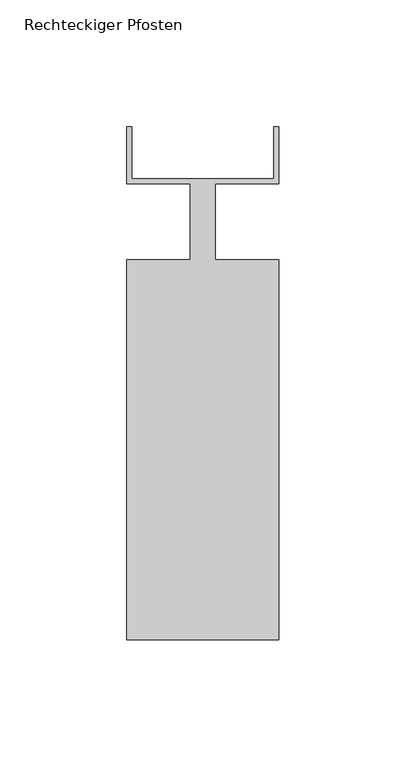
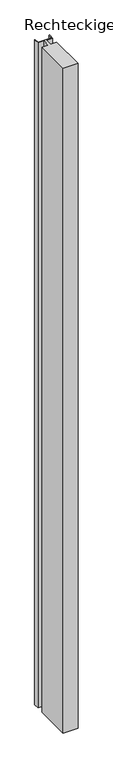
"""IFC4 building model written with IfcOpenShell, lengths in millimetres: member geometry, Rechteckiger Pfosten."""

import ifcopenshell
import ifcopenshell.guid

model = None  # the IFC model being written
_history = None  # IfcOwnerHistory: only IFC2X3 demands one
_inside = {}  # id of a spatial element -> (the spatial element, [elements in it])
_under = {}  # id of a project, library or spatial element -> (it, [spatial elements below it])
_declared = {}  # id of a project -> (the project, [libraries it declares])
_typed = {}  # id of a type object -> (the type object, [elements of that type])
_made_of = {}  # id of a material, layer set ... -> (it, [elements and type objects made of it])


def new_model(schema):
    """Start an empty IFC model of exactly this schema.

    Asked for "IFC4X3", IfcOpenShell would pick the latest addendum, in which some entities
    have other attributes; the version numbers below select the first issue.
    IFC2X3 requires an IfcOwnerHistory on every rooted entity: one is made here for all.
    """
    global model, _history
    if schema == "IFC4X3":
        model = ifcopenshell.file(schema_version=(4, 3, 0, 0))
    else:
        model = ifcopenshell.file(schema=schema)
    _inside.clear()
    _under.clear()
    _declared.clear()
    _typed.clear()
    _made_of.clear()
    _history = None
    if model.schema == "IFC2X3":
        org = make("IfcOrganization", Name="unknown")
        user = make(
            "IfcPersonAndOrganization",
            ThePerson=make("IfcPerson", FamilyName="unknown"),
            TheOrganization=org,
        )
        app = make(
            "IfcApplication",
            ApplicationDeveloper=org,
            Version="unknown",
            ApplicationFullName="unknown",
            ApplicationIdentifier="unknown",
        )
        _history = make(
            "IfcOwnerHistory",
            OwningUser=user,
            OwningApplication=app,
            ChangeAction="ADDED",
            CreationDate=0,
        )
    return model


def make(cls, **values):
    """One entity of the class cls with the attributes given. An attribute that is None is left unset."""
    return model.create_entity(
        cls, **{name: value for name, value in values.items() if value is not None}
    )


def rooted(cls, **values):
    """An entity with a GlobalId (a new one), such as an element, a storey or a relation."""
    return make(cls, GlobalId=ifcopenshell.guid.new(), OwnerHistory=_history, **values)


def si_unit(unit_type, name, prefix=None):
    """IfcSIUnit, for example si_unit("LENGTHUNIT", "METRE", prefix="MILLI")."""
    return make("IfcSIUnit", UnitType=unit_type, Prefix=prefix, Name=name)


def assignment(units):
    """IfcUnitAssignment: the units of a project."""
    return None if units is None else make("IfcUnitAssignment", Units=units)


def point(xyz):
    """IfcCartesianPoint."""
    return None if xyz is None else make("IfcCartesianPoint", Coordinates=xyz)


def direction(xyz):
    """IfcDirection."""
    return None if xyz is None else make("IfcDirection", DirectionRatios=xyz)


def frame(location, z_axis=None, x_axis=None):
    """IfcAxis2Placement3D, a coordinate frame: its origin and axes. An axis left out is left unset."""
    return make(
        "IfcAxis2Placement3D",
        Location=point(location),
        Axis=direction(z_axis),
        RefDirection=direction(x_axis),
    )


def origin():
    """The frame at (0, 0, 0) with its axes left unset."""
    return frame((0.0, 0.0, 0.0))


def place(relative_to, where):
    """IfcLocalPlacement: puts the frame where relative to a parent placement (None: the world)."""
    return make(
        "IfcLocalPlacement", PlacementRelTo=relative_to, RelativePlacement=where
    )


def context(
    kind, dimensions, precision=None, world=None, true_north=None, identifier=None
):
    """IfcGeometricRepresentationContext, for example the 3D "Model" context."""
    return make(
        "IfcGeometricRepresentationContext",
        ContextIdentifier=identifier,
        ContextType=kind,
        CoordinateSpaceDimension=dimensions,
        Precision=precision,
        WorldCoordinateSystem=world,
        TrueNorth=true_north,
    )


def project(units=None, contexts=None):
    """IfcProject with its units and contexts."""
    return rooted(
        "IfcProject",
        Name="project",
        RepresentationContexts=contexts,
        UnitsInContext=assignment(units),
    )


def spatial(cls, under=None, at=None, **own):
    """A site, building, storey or space (cls), placed at a placement, below another one or the project."""
    s = rooted(cls, ObjectPlacement=at, **own)
    if under is not None:
        _under.setdefault(under.id(), (under, []))[1].append(s)
    return s


def polyline(points):
    """IfcPolyline through the points."""
    return make("IfcPolyline", Points=[point(p) for p in points])


def outline(outer, holes=None, kind="AREA"):
    """IfcArbitraryClosedProfileDef: a profile drawn as a closed curve; with holes, ...WithVoids."""
    if holes is None:
        return make("IfcArbitraryClosedProfileDef", ProfileType=kind, OuterCurve=outer)
    return make(
        "IfcArbitraryProfileDefWithVoids",
        ProfileType=kind,
        OuterCurve=outer,
        InnerCurves=holes,
    )


def extrude(swept, where, along, depth):
    """IfcExtrudedAreaSolid: the profile swept, set in the frame where, extruded along a direction by depth."""
    return make(
        "IfcExtrudedAreaSolid",
        SweptArea=swept,
        Position=where,
        ExtrudedDirection=direction(along),
        Depth=depth,
    )


def shape(context_of_items, identifier, shape_type, items):
    """IfcShapeRepresentation: the items that make up one representation, for example the "Body"."""
    return make(
        "IfcShapeRepresentation",
        ContextOfItems=context_of_items,
        RepresentationIdentifier=identifier,
        RepresentationType=shape_type,
        Items=items,
    )


def source(mapping_origin, context_of_items, identifier, shape_type, items):
    """IfcRepresentationMap: a shape defined once, which mapped items show again and again."""
    return make(
        "IfcRepresentationMap",
        MappingOrigin=mapping_origin,
        MappedRepresentation=shape(context_of_items, identifier, shape_type, items),
    )


def transform(
    local_origin,
    x_axis=None,
    y_axis=None,
    z_axis=None,
    scale=None,
    scale2=None,
    scale3=None,
    uniform=True,
):
    """IfcCartesianTransformationOperator3D, or its non-uniform kind. x_axis, y_axis, z_axis: its Axis1, 2, 3."""
    if uniform:
        return make(
            "IfcCartesianTransformationOperator3D",
            Axis1=direction(x_axis),
            Axis2=direction(y_axis),
            LocalOrigin=point(local_origin),
            Scale=scale,
            Axis3=direction(z_axis),
        )
    return make(
        "IfcCartesianTransformationOperator3DnonUniform",
        Axis1=direction(x_axis),
        Axis2=direction(y_axis),
        LocalOrigin=point(local_origin),
        Scale=scale,
        Axis3=direction(z_axis),
        Scale2=scale2,
        Scale3=scale3,
    )


def mapped(mapping_source, mapping_target):
    """IfcMappedItem: shows the shape of a source again, moved by a transform."""
    return make(
        "IfcMappedItem", MappingSource=mapping_source, MappingTarget=mapping_target
    )


def made_of(thing, what):
    """Note that an element or type object is made of a material, layer set ...; save() writes the relation."""
    if what is not None:
        _made_of.setdefault(what.id(), (what, []))[1].append(thing)
    return thing


def element(
    cls,
    number,
    at=None,
    inside=None,
    cuts=None,
    type_object=None,
    material=None,
    context=None,
    identifier="Body",
    shape_type=None,
    held_by="IfcProductDefinitionShape",
    body=None,
    shapes=None,
    **own,
):
    """One element of the class cls, such as IfcWall. Its Tag is "e" and its number.

    at: its placement. inside: the storey or other place that contains it. cuts: it is an
    opening in that element (IfcRelVoidsElement). A single representation is given by context,
    identifier, shape_type and body (its items); several are given by shapes. held_by: the class
    of the entity that holds the representations. save() writes the other relations.
    """
    e = rooted(cls, Tag="e%d" % number, ObjectPlacement=at, **own)
    if body is not None:
        shapes = [shape(context, identifier, shape_type, body)]
    if shapes is not None:
        e.Representation = make(held_by, Representations=shapes)
    if inside is not None:
        _inside.setdefault(inside.id(), (inside, []))[1].append(e)
    if cuts is not None:
        rooted(
            "IfcRelVoidsElement", RelatingBuildingElement=cuts, RelatedOpeningElement=e
        )
    if type_object is not None:
        _typed.setdefault(type_object.id(), (type_object, []))[1].append(e)
    return made_of(e, material)


def aggregate(whole, parts):
    """IfcRelAggregates: a whole, such as a stair, and the parts it consists of."""
    return rooted("IfcRelAggregates", RelatingObject=whole, RelatedObjects=parts)


def save(model, path):
    """Write the relations noted so far, then the file.

    IfcRelAggregates (storeys below a building ...), IfcRelContainedInSpatialStructure (elements
    in a storey), IfcRelDefinesByType, IfcRelAssociatesMaterial and IfcRelDeclares: one each for
    every whole, place, type object, material and project.
    """
    for whole, parts in _under.values():
        aggregate(whole, parts)
    for where, things in _inside.values():
        rooted(
            "IfcRelContainedInSpatialStructure",
            RelatedElements=things,
            RelatingStructure=where,
        )
    for kind, things in _typed.values():
        rooted("IfcRelDefinesByType", RelatedObjects=things, RelatingType=kind)
    for what, things in _made_of.values():
        rooted("IfcRelAssociatesMaterial", RelatedObjects=things, RelatingMaterial=what)
    for by, libraries in _declared.values():
        rooted("IfcRelDeclares", RelatingContext=by, RelatedDefinitions=libraries)
    model.write(path)


def rechteckiger_pfosten_7a7bac3f(model_context):
    return source(origin(), model_context, "Body", "SweptSolid", [
        extrude(outline(polyline([(-2.0, 37.5), (0.0, 37.5), (0.0, 15.0), (-25.0, 15.0), (-25.0, -15.0), (0.0, -15.0), (0.0, -165.0), (-60.0, -165.0), (-60.0, -15.0), (-35.0, -15.0), (-35.0, 15.0), (-60.0, 15.0), (-60.0, 37.5), (-58.0, 37.5), (-58.0, 17.0), (-2.0, 17.0), (-2.0, 37.5)])), frame((0.0, 0.0, -2880.0), z_axis=(0.0, 0.0, 1.0), x_axis=(1.0, 0.0, 0.0)), (0.0, 0.0, 1.0), 2880.0),
    ])


if __name__ == "__main__":
    model = new_model("IFC4")
    model_context = context("Model", 3, world=origin())
    ifc_project = project(units=[si_unit("LENGTHUNIT", "METRE", prefix="MILLI")], contexts=[model_context])
    site = spatial("IfcSite", under=ifc_project)
    building = spatial("IfcBuilding", under=site)
    placement = place(None, origin())
    rechteckiger_pfosten_shape = rechteckiger_pfosten_7a7bac3f(model_context)
    element("IfcMember", 1, ObjectType="Rechteckiger Pfosten", at=placement, inside=building, context=model_context, shape_type="MappedRepresentation", body=[
        mapped(rechteckiger_pfosten_shape, transform((0.0, 0.0, 0.0), x_axis=(1.0, 0.0, 0.0), y_axis=(0.0, 1.0, 0.0), z_axis=(0.0, 0.0, 1.0))),
    ])
    save(model, "model.ifc")
